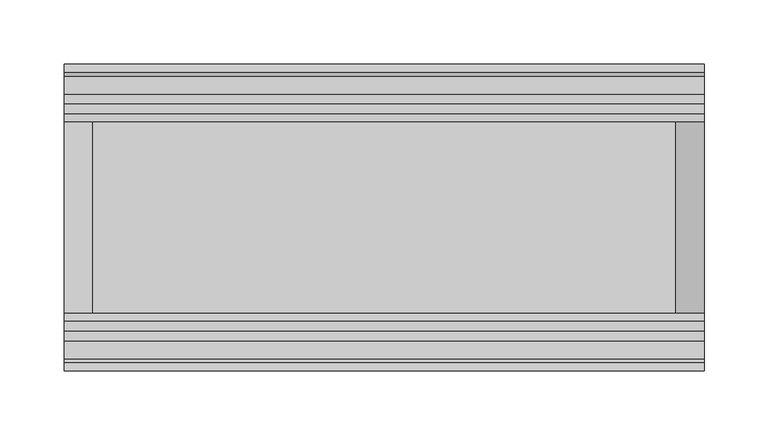
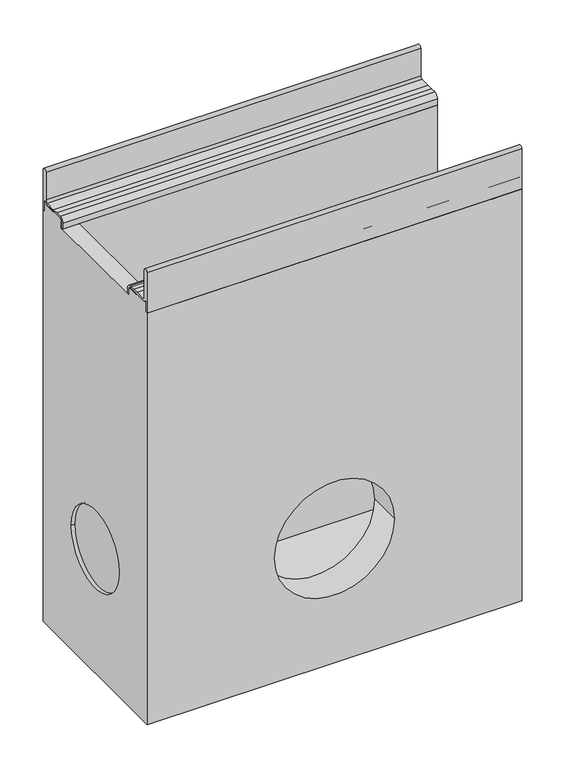
"""IFC4 building model written with IfcOpenShell, lengths in millimetres: proxy geometry."""

from ifc_helpers import new_model, si_unit, point, frame, frame_2d, origin, place, context, project, spatial, polyline, circle_curve, trimmed, segment, composite_curve, outline, extrude, source, transform, mapped, element, save
from ifc_brep_helpers import plane_surface, cylinder_surface, revolved_surface, advanced_brep


def generic_models_9ad5f92b(model_context):
    return source(origin(), model_context, "Body", "SolidModel", [
        advanced_brep(
        [(500.0, 120.0, -640.0), (500.0, 120.0, -60.0409124), (500.0, 116.9621547, -60.0409124), (500.0, 116.9621547, -45.4121775), (500.0, 115.5838153, -45.4121775), (500.0, 110.5826794, -48.0378453), (500.0, 81.0756907, -48.0378453), (500.0, 77.9900031, -51.1235329), (500.0, 77.9900031, -60.011934), (500.0, 75.0, -60.011934), (500.0, 75.0, -180.0), (500.0, -75.0, -180.0), (500.0, -75.0, -60.011934), (500.0, -77.9900031, -60.011934), (500.0, -77.9900031, -51.1235329), (500.0, -81.0756907, -48.0378453), (500.0, -110.5826794, -48.0378453), (500.0, -115.5838153, -45.4121775), (500.0, -116.9621547, -45.4121775), (500.0, -116.9621547, -60.0409124), (500.0, -120.0, -60.0409124), (500.0, -120.0, -640.0), (0.0, 120.0, -640.0), (0.0, -120.0, -640.0), (0.0, -120.0, -60.0409124), (0.0, -116.9621547, -60.0409124), (0.0, -116.9621547, -45.4121775), (0.0, -115.5838153, -45.4121775), (0.0, -110.5826794, -48.0378453), (0.0, -81.0756907, -48.0378453), (0.0, -77.9900031, -51.1235329), (0.0, -77.9900031, -60.011934), (0.0, 77.9900031, -60.011934), (0.0, 77.9900031, -51.1235329), (0.0, 81.0756907, -48.0378453), (0.0, 110.5826794, -48.0378453), (0.0, 115.5838153, -45.4121775), (0.0, 116.9621547, -45.4121775), (0.0, 116.9621547, -60.0409124), (0.0, 120.0, -60.0409124), (0.0, -55.0, -465.0), (0.0, 55.0, -465.0), (22.0, 75.0, -60.011934), (22.0, 75.0, -600.0), (478.0, 75.0, -600.0), (478.0, 75.0, -180.0), (330.0, -120.0, -465.0), (170.0, -120.0, -465.0), (5.0, -55.0, -465.0), (5.0, 55.0, -465.0), (478.0, -75.0, -180.0), (478.0, -75.0, -600.0), (22.0, -75.0, -600.0), (22.0, -75.0, -60.011934), (170.0, -75.0, -465.0), (330.0, -75.0, -465.0), (22.0, 81.0756907, -48.0378453), (22.0, 77.9900031, -51.1235329), (22.0, -77.9900031, -51.1235329), (22.0, -81.0756907, -48.0378453)],
        [
            (0, 1),
            (1, 2),
            (2, 3),
            (3, 4),
            (4, 5, circle_curve(frame((500.0, 110.5826794, -41.9621547), z_axis=(-1.0, 0.0, 0.0), x_axis=(0.0, 1.0, 0.0)), 6.0756907)),
            (5, 6),
            (6, 7, circle_curve(frame((500.0, 81.0756907, -51.1235329), z_axis=(1.0, 0.0, 0.0), x_axis=(0.0, 1.0, 0.0)), 3.0856876)),
            (7, 8),
            (8, 9),
            (9, 10),
            (10, 11, circle_curve(frame((500.0, 0.0, -180.0), z_axis=(-1.0, 0.0, 0.0), x_axis=(0.0, 1.0, 0.0)), 75.0)),
            (11, 12),
            (12, 13),
            (13, 14),
            (14, 15, circle_curve(frame((500.0, -81.0756907, -51.1235329), z_axis=(1.0, 0.0, 0.0), x_axis=(0.0, 1.0, 0.0)), 3.0856876)),
            (15, 16),
            (16, 17, circle_curve(frame((500.0, -110.5826794, -41.9621547), z_axis=(-1.0, 0.0, 0.0), x_axis=(0.0, 1.0, 0.0)), 6.0756907)),
            (17, 18),
            (18, 19),
            (19, 20),
            (20, 21),
            (21, 0),
            (22, 23),
            (23, 24),
            (24, 25),
            (25, 26),
            (26, 27),
            (27, 28, circle_curve(frame((0.0, -110.5826794, -41.9621547), z_axis=(1.0, 0.0, 0.0), x_axis=(0.0, 1.0, 0.0)), 6.0756907)),
            (28, 29),
            (29, 30, circle_curve(frame((0.0, -81.0756907, -51.1235329), z_axis=(-1.0, 0.0, 0.0), x_axis=(0.0, 1.0, 0.0)), 3.0856876)),
            (30, 31),
            (31, 32),
            (32, 33),
            (33, 34, circle_curve(frame((0.0, 81.0756907, -51.1235329), z_axis=(-1.0, 0.0, 0.0), x_axis=(0.0, 1.0, 0.0)), 3.0856876)),
            (34, 35),
            (35, 36, circle_curve(frame((0.0, 110.5826794, -41.9621547), z_axis=(1.0, 0.0, 0.0), x_axis=(0.0, 1.0, 0.0)), 6.0756907)),
            (36, 37),
            (37, 38),
            (38, 39),
            (39, 22),
            (40, 41, circle_curve(frame((0.0, 0.0, -465.0), z_axis=(1.0, 0.0, 0.0), x_axis=(0.0, 1.0, 0.0)), 55.0)),
            (41, 40, circle_curve(frame((0.0, 0.0, -465.0), z_axis=(1.0, 0.0, 0.0), x_axis=(0.0, 1.0, 0.0)), 55.0)),
            (0, 22),
            (39, 1),
            (9, 42),
            (42, 43),
            (43, 44),
            (44, 45),
            (45, 10),
            (20, 24),
            (23, 21),
            (46, 47, circle_curve(frame((250.0, -120.0, -465.0), z_axis=(0.0, 1.0, 0.0), x_axis=(1.0, 0.0, 0.0)), 80.0)),
            (47, 46, circle_curve(frame((250.0, -120.0, -465.0), z_axis=(0.0, 1.0, 0.0), x_axis=(1.0, 0.0, 0.0)), 80.0)),
            (48, 49, circle_curve(frame((5.0, 0.0, -465.0), z_axis=(-1.0, 0.0, 0.0), x_axis=(0.0, 1.0, 0.0)), 55.0)),
            (49, 48, circle_curve(frame((5.0, 0.0, -465.0), z_axis=(-1.0, 0.0, 0.0), x_axis=(0.0, 1.0, 0.0)), 55.0)),
            (49, 41),
            (40, 48),
            (11, 50),
            (50, 51),
            (51, 52),
            (52, 53),
            (53, 12),
            (54, 55, circle_curve(frame((250.0, -75.0, -465.0), z_axis=(0.0, -1.0, 0.0), x_axis=(1.0, 0.0, 0.0)), 80.0)),
            (55, 54, circle_curve(frame((250.0, -75.0, -465.0), z_axis=(0.0, -1.0, 0.0), x_axis=(1.0, 0.0, 0.0)), 80.0)),
            (54, 47),
            (46, 55),
            (38, 2),
            (37, 3),
            (36, 4),
            (35, 5),
            (34, 56),
            (56, 6),
            (33, 57),
            (57, 7),
            (32, 8),
            (31, 13),
            (53, 42),
            (45, 50, circle_curve(frame((478.0, 0.0, -180.0), z_axis=(-1.0, 0.0, 0.0), x_axis=(0.0, 1.0, 0.0)), 75.0)),
            (30, 58),
            (58, 14),
            (29, 59),
            (59, 15),
            (28, 16),
            (27, 17),
            (26, 18),
            (25, 19),
            (43, 52),
            (51, 44),
        ],
        [
            plane_surface(frame((500.0, 120.0, -31.1821489), z_axis=(1.0, 0.0, 0.0), x_axis=(0.0, 0.0, 1.0))),
            plane_surface(frame((0.0, 120.0, -31.1821489), z_axis=(-1.0, 0.0, 0.0), x_axis=(0.0, 0.0, -1.0))),
            plane_surface(frame((500.0, 120.0, -640.0), z_axis=(0.0, 1.0, 0.0), x_axis=(-1.0, 0.0, 0.0))),
            plane_surface(frame((500.0, 75.0, -60.011934), z_axis=(0.0, -1.0, 0.0), x_axis=(-1.0, 0.0, 0.0))),
            plane_surface(frame((500.0, -120.0, -60.0409124), z_axis=(0.0, -1.0, 0.0), x_axis=(-1.0, 0.0, 0.0))),
            plane_surface(frame((500.0, -120.0, -640.0), z_axis=(0.0, 0.0, -1.0), x_axis=(-1.0, 0.0, 0.0))),
            plane_surface(frame((5.0, 55.0, -465.0), z_axis=(-1.0, 0.0, 0.0), x_axis=(0.0, 0.0, 1.0))),
            revolved_surface(polyline([(5.0, 55.0, -465.0), (0.0, 55.0, -465.0)]), (0.0, 0.0, -465.0), (1.0, 0.0, 0.0)),
            plane_surface(frame((500.0, -75.0, -180.0), z_axis=(0.0, 1.0, 0.0), x_axis=(-1.0, 0.0, 0.0))),
            revolved_surface(polyline([(330.0, -120.0, -465.0), (330.0, -75.0, -465.0)]), (250.0, 0.0, -465.0), (0.0, -1.0, 0.0)),
            plane_surface(frame((500.0, 120.0, -60.0409124), z_axis=(0.0, 0.0, 1.0), x_axis=(-1.0, 0.0, 0.0))),
            plane_surface(frame((500.0, 116.9621547, -60.0409124), z_axis=(0.0, 1.0, 0.0), x_axis=(-1.0, 0.0, 0.0))),
            plane_surface(frame((500.0, 116.9621547, -45.4121775), z_axis=(0.0, 0.0, 1.0), x_axis=(-1.0, 0.0, 0.0))),
            revolved_surface(polyline([(0.0, 116.6583701, -41.9621547), (500.0, 116.6583701, -41.9621547)]), (0.0, 110.5826794, -41.9621547), (-1.0, 0.0, 0.0)),
            plane_surface(frame((500.0, 110.5826794, -48.0378453), z_axis=(0.0, 0.0, 1.0), x_axis=(-1.0, 0.0, 0.0))),
            cylinder_surface(frame((0.0, 81.0756907, -51.1235329), z_axis=(1.0, 0.0, 0.0), x_axis=(0.0, 1.0, 0.0)), 3.0856876),
            plane_surface(frame((500.0, 77.9900031, -51.1235329), z_axis=(0.0, -1.0, 0.0), x_axis=(-1.0, 0.0, 0.0))),
            plane_surface(frame((500.0, 77.9900031, -60.011934), z_axis=(0.0, 0.0, 1.0), x_axis=(-1.0, 0.0, 0.0))),
            revolved_surface(polyline([(478.0, 75.0, -180.0), (500.0, 75.0, -180.0)]), (0.0, 0.0, -180.0), (-1.0, 0.0, 0.0)),
            plane_surface(frame((500.0, -77.9900031, -60.011934), z_axis=(0.0, 1.0, 0.0), x_axis=(-1.0, 0.0, 0.0))),
            cylinder_surface(frame((0.0, -81.0756907, -51.1235329), z_axis=(1.0, 0.0, 0.0), x_axis=(0.0, 1.0, 0.0)), 3.0856876),
            plane_surface(frame((500.0, -81.0756907, -48.0378453), z_axis=(0.0, 0.0, 1.0), x_axis=(-1.0, 0.0, 0.0))),
            revolved_surface(polyline([(0.0, -104.50698870000001, -41.9621547), (500.0, -104.50698870000001, -41.9621547)]), (0.0, -110.5826794, -41.9621547), (-1.0, 0.0, 0.0)),
            plane_surface(frame((500.0, -115.5838153, -45.4121775), z_axis=(0.0, 0.0, 1.0), x_axis=(-1.0, 0.0, 0.0))),
            plane_surface(frame((500.0, -116.9621547, -45.4121775), z_axis=(0.0, -1.0, 0.0), x_axis=(-1.0, 0.0, 0.0))),
            plane_surface(frame((500.0, -116.9621547, -60.0409124), z_axis=(0.0, 0.0, 1.0), x_axis=(-1.0, 0.0, 0.0))),
            plane_surface(frame((22.0, 75.0, -600.0), z_axis=(0.0, 0.0, 1.0), x_axis=(1.0, 0.0, 0.0))),
            plane_surface(frame((22.0, 75.0, 0.0), z_axis=(1.0, 0.0, 0.0), x_axis=(0.0, 0.0, -1.0))),
            plane_surface(frame((478.0, -75.0, 0.0), z_axis=(-1.0, 0.0, 0.0), x_axis=(0.0, 0.0, -1.0))),
        ],
        [
            (0, [[1, 2, 3, 4, 5, 6, 7, 8, 9, 10, 11, 12, 13, 14, 15, 16, 17, 18, 19, 20, 21, 22]]),
            (1, [[23, 24, 25, 26, 27, 28, 29, 30, 31, 32, 33, 34, 35, 36, 37, 38, 39, 40], [41, 42]]),
            (2, [[-1, 43, -40, 44]]),
            (3, [[-10, 45, 46, 47, 48, 49]]),
            (4, [[-21, 50, -24, 51], [52, 53]]),
            (5, [[-22, -51, -23, -43]]),
            (6, [[54, 55]]),
            (7, [[-55, 56, -41, 57]]),
            (7, [[-54, -57, -42, -56]]),
            (8, [[-12, 58, 59, 60, 61, 62], [63, 64]]),
            (9, [[65, -52, 66, -63]]),
            (9, [[-65, -64, -66, -53]]),
            (10, [[-2, -44, -39, 67]]),
            (11, [[-3, -67, -38, 68]]),
            (12, [[-4, -68, -37, 69]]),
            (13, [[-5, -69, -36, 70]]),
            (14, [[-6, -70, -35, 71, 72]]),
            (15, [[-7, -72, -71, -34, 73, 74]]),
            (16, [[-8, -74, -73, -33, 75]]),
            (17, [[-9, -75, -32, 76, -13, -62, 77, -45]]),
            (18, [[-11, -49, 78, -58]]),
            (19, [[-14, -76, -31, 79, 80]]),
            (20, [[-15, -80, -79, -30, 81, 82]]),
            (21, [[-16, -82, -81, -29, 83]]),
            (22, [[-17, -83, -28, 84]]),
            (23, [[-18, -84, -27, 85]]),
            (24, [[-19, -85, -26, 86]]),
            (25, [[-20, -86, -25, -50]]),
            (26, [[-47, 87, -60, 88]]),
            (27, [[-87, -46, -77, -61]]),
            (28, [[-88, -59, -78, -48]]),
        ],
    ),
        extrude(outline(composite_curve([segment(trimmed(circle_curve(frame_2d((-116.8102624, -3.1897376)), 3.1897376), [point((-120.0, -3.1897376))], [point((-113.6205248, -3.1897376))], False, "CARTESIAN"), True, "CONTINUOUS"), segment(polyline([(-113.6205248, -3.1897376), (-113.6205248, -41.9621547)]), True, "CONTINUOUS"), segment(trimmed(circle_curve(frame_2d((-110.5826794, -41.9621547)), 3.0378453), [point((-113.6205248, -41.9621547))], [point((-110.5826794, -45.0))], True, "CARTESIAN"), True, "CONTINUOUS"), segment(polyline([(-110.5826794, -45.0), (-96.4566985, -45.0), (-88.8620852, -45.0), (-81.0756907, -45.0)]), True, "CONTINUOUS"), segment(trimmed(circle_curve(frame_2d((-81.0756907, -51.0756907)), 6.0756907), [point((-81.0756907, -45.0))], [point((-75.0, -51.0756907))], False, "CARTESIAN"), True, "CONTINUOUS"), segment(polyline([(-75.0, -51.0756907), (-75.0, -60.011934), (-77.9900031, -60.011934), (-77.9900031, -51.1235329)]), True, "CONTINUOUS"), segment(trimmed(circle_curve(frame_2d((-81.0756907, -51.1235329)), 3.0856876), [point((-77.9900031, -51.1235329))], [point((-81.0756907, -48.0378453))], True, "CARTESIAN"), True, "CONTINUOUS"), segment(polyline([(-81.0756907, -48.0378453), (-110.5826794, -48.0378453)]), True, "CONTINUOUS"), segment(trimmed(circle_curve(frame_2d((-110.5826794, -41.9621547)), 6.0756907), [point((-110.5826794, -48.0378453))], [point((-115.5838153, -45.4121775))], False, "CARTESIAN"), True, "CONTINUOUS"), segment(polyline([(-115.5838153, -45.4121775), (-116.9621547, -45.4121775), (-116.9621547, -60.0409124), (-120.0, -60.0409124), (-120.0, -3.1897376)]), True, "CONTINUOUS")], self_intersect=False)), frame((0.0, 0.0, 0.0), z_axis=(1.0, 0.0, 0.0), x_axis=(0.0, 1.0, 0.0)), (0.0, 0.0, 1.0), 500.0),
        extrude(outline(composite_curve([segment(polyline([(120.0, -3.1897376), (120.0, -60.0409124), (116.9621547, -60.0409124), (116.9621547, -45.4121775), (115.5838153, -45.4121775)]), True, "CONTINUOUS"), segment(trimmed(circle_curve(frame_2d((110.5826794, -41.9621547)), 6.0756907), [point((115.5838153, -45.4121775))], [point((110.5826794, -48.0378453))], False, "CARTESIAN"), True, "CONTINUOUS"), segment(polyline([(110.5826794, -48.0378453), (81.0756907, -48.0378453)]), True, "CONTINUOUS"), segment(trimmed(circle_curve(frame_2d((81.0756907, -51.1235329)), 3.0856876), [point((81.0756907, -48.0378453))], [point((77.9900031, -51.1235329))], True, "CARTESIAN"), True, "CONTINUOUS"), segment(polyline([(77.9900031, -51.1235329), (77.9900031, -60.011934), (75.0, -60.011934), (75.0, -51.0756907)]), True, "CONTINUOUS"), segment(trimmed(circle_curve(frame_2d((81.0756907, -51.0756907)), 6.0756907), [point((75.0, -51.0756907))], [point((81.0756907, -45.0))], False, "CARTESIAN"), True, "CONTINUOUS"), segment(polyline([(81.0756907, -45.0), (88.8620852, -45.0), (96.4566985, -45.0), (110.5826794, -45.0)]), True, "CONTINUOUS"), segment(trimmed(circle_curve(frame_2d((110.5826794, -41.9621547)), 3.0378453), [point((110.5826794, -45.0))], [point((113.6205248, -41.9621547))], True, "CARTESIAN"), True, "CONTINUOUS"), segment(polyline([(113.6205248, -41.9621547), (113.6205248, -3.1897376)]), True, "CONTINUOUS"), segment(trimmed(circle_curve(frame_2d((116.8102624, -3.1897376)), 3.1897376), [point((113.6205248, -3.1897376))], [point((120.0, -3.1897376))], False, "CARTESIAN"), True, "CONTINUOUS")], self_intersect=False)), frame((0.0, 0.0, 0.0), z_axis=(1.0, 0.0, 0.0), x_axis=(0.0, 1.0, 0.0)), (0.0, 0.0, 1.0), 500.0),
    ])


if __name__ == "__main__":
    model = new_model("IFC4")
    model_context = context("Model", 3, world=origin())
    ifc_project = project(units=[si_unit("LENGTHUNIT", "METRE", prefix="MILLI")], contexts=[model_context])
    site = spatial("IfcSite", under=ifc_project)
    building = spatial("IfcBuilding", under=site)
    placement = place(None, origin())
    generic_models_shape = generic_models_9ad5f92b(model_context)
    element("IfcBuildingElementProxy", 1, Name="Generic Models", at=placement, inside=building, context=model_context, shape_type="MappedRepresentation", body=[
        mapped(generic_models_shape, transform((0.0, 0.0, 0.0), x_axis=(1.0, 0.0, 0.0), y_axis=(0.0, 1.0, 0.0), z_axis=(0.0, 0.0, 1.0))),
    ])
    save(model, "model.ifc")
